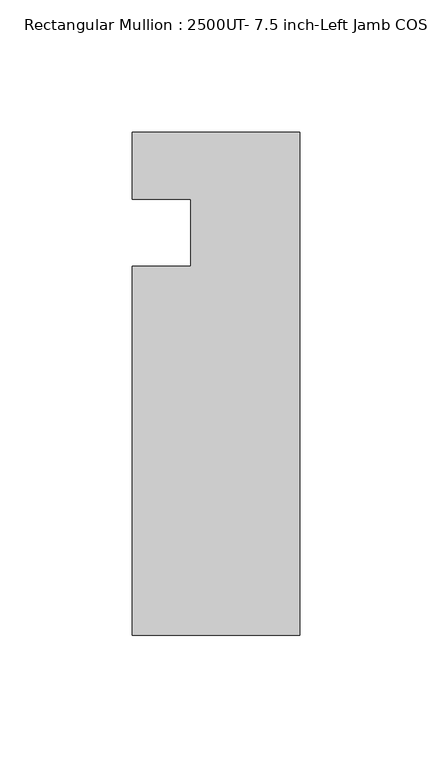
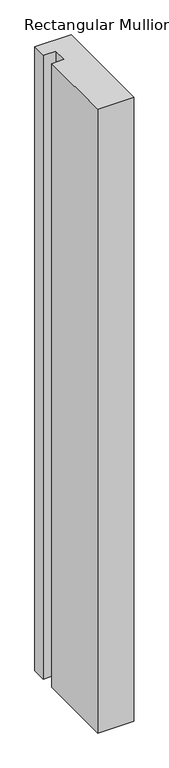
"""IFC4 building model written with IfcOpenShell, lengths in millimetres: member geometry, Rectangular Mullion : 2500UT- 7.5 inch-Left Jamb COS Mullion."""

from ifc_helpers import new_model, si_unit, frame, origin, place, context, project, spatial, polyline, outline, extrude, source, transform, mapped, element, save


def rectangular_mullion_2500ut_7_5_inch_left_jamb_cos_mullion_20469aac(model_context):
    return source(origin(), model_context, "Body", "SweptSolid", [
        extrude(outline(polyline([(31.75, -152.399995), (-31.75, -152.399995), (-31.75, -12.7), (-9.525, -12.7), (-9.525, 12.7309282), (-31.75, 12.7309282), (-31.75, 38.1), (31.75, 38.1), (31.75, -152.399995)])), frame((0.0, 0.0, -1154.90625), z_axis=(0.0, 0.0, 1.0), x_axis=(1.0, 0.0, 0.0)), (0.0, 0.0, 1.0), 1154.90625),
    ])


if __name__ == "__main__":
    model = new_model("IFC4")
    model_context = context("Model", 3, world=origin())
    ifc_project = project(units=[si_unit("LENGTHUNIT", "METRE", prefix="MILLI")], contexts=[model_context])
    site = spatial("IfcSite", under=ifc_project)
    building = spatial("IfcBuilding", under=site)
    placement = place(None, origin())
    rectangular_mullion_2500ut_7_5_inch_left_jamb_cos_mullion_shape = rectangular_mullion_2500ut_7_5_inch_left_jamb_cos_mullion_20469aac(model_context)
    element("IfcMember", 1, ObjectType="Rectangular Mullion : 2500UT- 7.5 inch-Left Jamb COS Mullion", at=placement, inside=building, context=model_context, shape_type="MappedRepresentation", body=[
        mapped(rectangular_mullion_2500ut_7_5_inch_left_jamb_cos_mullion_shape, transform((0.0, 0.0, 0.0), x_axis=(1.0, 0.0, 0.0), y_axis=(0.0, 1.0, 0.0), z_axis=(0.0, 0.0, 1.0))),
    ])
    save(model, "model.ifc")
